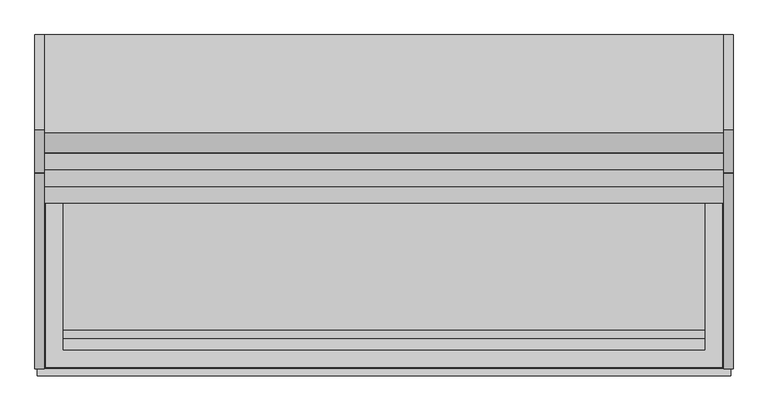
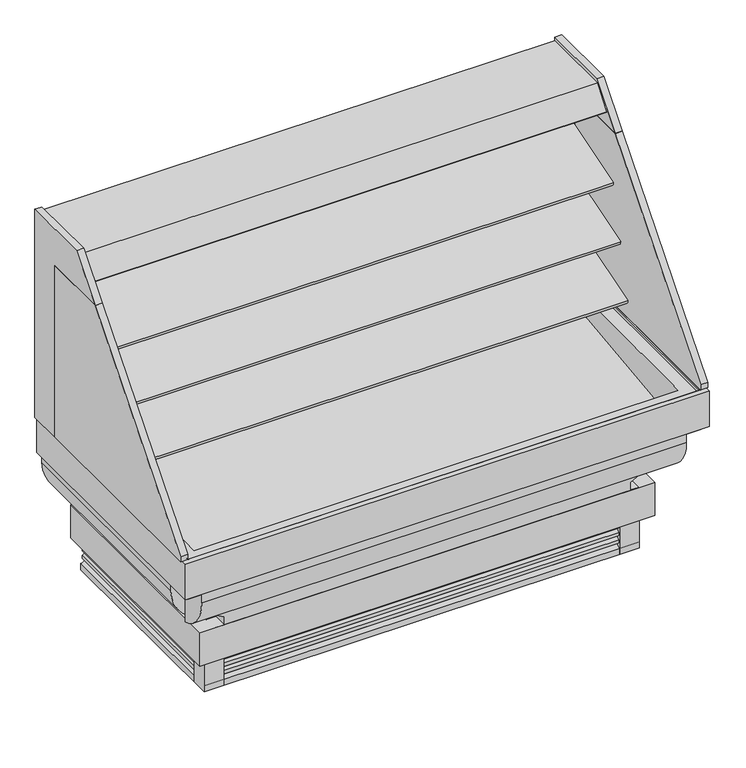
"""IFC4 building model written with IfcOpenShell, lengths in millimetres: proxy geometry."""

from ifc_helpers import new_model, si_unit, point, frame, frame_2d, origin, origin_with_axes, place, context, project, spatial, polyline, circle_curve, ellipse_curve, trimmed, segment, composite_curve, outline, extrude, source, transform, mapped, element, save
from ifc_brep_helpers import plane_surface, cylinder_surface, revolved_surface, advanced_brep


def mechanical_equipment_2a28cb98(model_context):
    return source(origin(), model_context, "Body", "SolidModel", [
        extrude(outline(polyline([(533.4, -623.8002023), (533.4, -928.6002023), (431.8, -928.6002023), (431.8, -623.8002023), (533.4, -623.8002023)])), frame((0.0, 0.0, 75.0351638), z_axis=(0.0, 0.0, 1.0), x_axis=(1.0, 0.0, 0.0)), (0.0, 0.0, 1.0), 53.975),
        extrude(outline(polyline([(-1326.1541466, 707.5625851), (-753.4903039, 1390.036777), (-482.3571273, 1390.036777), (-482.3571273, 686.604902), (-1326.1541466, 686.604902), (-1326.1541466, 707.5625851)])), frame((2108.0754599, 0.0, 0.0), z_axis=(1.0, 0.0, 0.0), x_axis=(0.0, 1.0, 0.0)), (0.0, 0.0, 1.0), 27.0002),
        extrude(outline(polyline([(-349.0071273, 1539.105102), (-349.0071273, 686.604902), (-482.3571273, 686.604902), (-482.3571273, 1390.036777), (-753.4903039, 1390.036777), (-628.4071273, 1539.105102), (-349.0071273, 1539.105102)])), frame((2108.0754599, 0.0, 0.0), z_axis=(1.0, 0.0, 0.0), x_axis=(0.0, 1.0, 0.0)), (0.0, 0.0, 1.0), 27.0002),
        extrude(outline(polyline([(-1326.1541466, 707.5625851), (-753.4903039, 1390.036777), (-482.3571273, 1390.036777), (-482.3571273, 686.604902), (-1326.1541466, 686.604902), (-1326.1541466, 707.5625851)])), frame((93.7743401, 0.0, 0.0), z_axis=(1.0, 0.0, 0.0), x_axis=(0.0, 1.0, 0.0)), (0.0, 0.0, 1.0), 27.0002),
        extrude(outline(polyline([(-349.0071273, 1539.105102), (-349.0071273, 686.604902), (-482.3571273, 686.604902), (-482.3571273, 1390.036777), (-753.4903039, 1390.036777), (-628.4071273, 1539.105102), (-349.0071273, 1539.105102)])), frame((93.7743401, 0.0, 0.0), z_axis=(1.0, 0.0, 0.0), x_axis=(0.0, 1.0, 0.0)), (0.0, 0.0, 1.0), 27.0002),
        extrude(outline(polyline([(1881.3732202, -1107.3920636), (1956.6607411, -1107.3920636), (1956.6607411, -1175.3678684), (1881.3732202, -1175.3678684), (1881.3732202, -1107.3920636)])), origin_with_axes(), (0.0, 0.0, 1.0), 142.8420222),
        extrude(outline(polyline([(347.4767798, -1107.3920636), (347.4767798, -1175.3678684), (272.1892589, -1175.3678684), (272.1892589, -1107.3920636), (347.4767798, -1107.3920636)])), origin_with_axes(), (0.0, 0.0, 1.0), 142.8420222),
        extrude(outline(composite_curve([segment(trimmed(circle_curve(frame_2d((1882.2068578, -1079.2571273)), 11.1125), [point((1871.0943578, -1079.2571273))], [point((1893.3193578, -1079.2571273))], False, "CARTESIAN"), True, "CONTINUOUS"), segment(trimmed(circle_curve(frame_2d((1882.2068578, -1079.2571273)), 11.1125), [point((1893.3193578, -1079.2571273))], [point((1871.0943578, -1079.2571273))], False, "CARTESIAN"), True, "CONTINUOUS")], self_intersect=False)), origin_with_axes(), (0.0, 0.0, 1.0), 127.0),
        extrude(outline(composite_curve([segment(trimmed(circle_curve(frame_2d((1860.2970208, -1079.2571273)), 4.7625), [point((1855.5345208, -1079.2571273))], [point((1865.0595208, -1079.2571273))], False, "CARTESIAN"), True, "CONTINUOUS"), segment(trimmed(circle_curve(frame_2d((1860.2970208, -1079.2571273)), 4.7625), [point((1865.0595208, -1079.2571273))], [point((1855.5345208, -1079.2571273))], False, "CARTESIAN"), True, "CONTINUOUS")], self_intersect=False)), origin_with_axes(), (0.0, 0.0, 1.0), 127.0),
        extrude(outline(composite_curve([segment(trimmed(circle_curve(frame_2d((1114.425, -1079.2571273)), 19.05), [point((1095.375, -1079.2571273))], [point((1133.475, -1079.2571273))], False, "CARTESIAN"), True, "CONTINUOUS"), segment(trimmed(circle_curve(frame_2d((1114.425, -1079.2571273)), 19.05), [point((1133.475, -1079.2571273))], [point((1095.375, -1079.2571273))], False, "CARTESIAN"), True, "CONTINUOUS")], self_intersect=False)), origin_with_axes(), (0.0, 0.0, 1.0), 127.0),
        advanced_brep(
        [(1933.2038411, -388.8502023, 46.2208035), (1933.2038411, -388.8502023, 0.0), (1933.2038411, -349.0071273, 0.0), (1933.2038411, -349.0071273, 280.009219), (1933.2038411, -1147.1509724, 280.009219), (1933.2038411, -1147.1509724, 0.0), (1933.2038411, -1109.2634173, 0.0), (1933.2038411, -1109.2634173, 46.2208035), (295.6461589, -1109.2634173, 46.2208035), (295.6461589, -1109.2634173, 0.0), (295.6461589, -1147.1509724, 0.0), (295.6461589, -1147.1509724, 280.009219), (295.6461589, -349.0071273, 280.009219), (295.6461589, -349.0071273, 0.0), (295.6461589, -388.8502023, 0.0), (295.6461589, -388.8502023, 46.2208035), (295.6461589, -528.8675125, 46.2208035), (295.6461589, -528.8675125, 127.0), (295.6461589, -1034.8071273, 127.0), (295.6461589, -1034.8071273, 46.2208035), (1880.4521412, -1109.2634173, 0.0), (1880.4521412, -1109.2634173, 46.2208035), (1859.6978588, -1109.2634173, 46.2208035), (1859.6978588, -1109.2634173, 0.0), (1089.025, -1079.2571273, 127.0), (1139.825, -1079.2571273, 127.0), (1838.325, -1079.2571273, 127.0), (1901.825, -1079.2571273, 127.0), (1139.825, -1079.2571273, 46.2208035), (1089.025, -1079.2571273, 46.2208035), (1901.825, -1079.2571273, 46.2208035), (1838.325, -1079.2571273, 46.2208035), (677.845887, -528.8675125, 127.0), (677.845887, -1034.8071273, 127.0), (677.845887, -1034.8071273, 46.2208035), (677.845887, -528.8675125, 46.2208035)],
        [
            (0, 1),
            (1, 2),
            (2, 3),
            (3, 4),
            (4, 5),
            (5, 6),
            (6, 7),
            (7, 0),
            (8, 9),
            (9, 10),
            (10, 11),
            (11, 12),
            (12, 13),
            (13, 14),
            (14, 15),
            (15, 16),
            (16, 17),
            (17, 18),
            (18, 19),
            (19, 8),
            (2, 13),
            (12, 3),
            (6, 20),
            (20, 21),
            (21, 7),
            (8, 22),
            (22, 23),
            (23, 9),
            (0, 15),
            (14, 1),
            (24, 25, circle_curve(frame((1114.425, -1079.2571273, 127.0), z_axis=(0.0, 0.0, -1.0), x_axis=(1.0, 0.0, 0.0)), 25.4)),
            (25, 24, circle_curve(frame((1114.425, -1079.2571273, 127.0), z_axis=(0.0, 0.0, -1.0), x_axis=(1.0, 0.0, 0.0)), 25.4)),
            (26, 27, circle_curve(frame((1870.075, -1079.2571273, 127.0), z_axis=(0.0, 0.0, -1.0), x_axis=(1.0, 0.0, 0.0)), 31.75)),
            (27, 26, circle_curve(frame((1870.075, -1079.2571273, 127.0), z_axis=(0.0, 0.0, -1.0), x_axis=(1.0, 0.0, 0.0)), 31.75)),
            (25, 28),
            (28, 29, circle_curve(frame((1114.425, -1079.2571273, 46.2208035), z_axis=(0.0, 0.0, -1.0), x_axis=(1.0, 0.0, 0.0)), 25.4)),
            (29, 24),
            (29, 28, circle_curve(frame((1114.425, -1079.2571273, 46.2208035), z_axis=(0.0, 0.0, -1.0), x_axis=(1.0, 0.0, 0.0)), 25.4)),
            (27, 30),
            (30, 21, circle_curve(frame((1870.075, -1079.2571273, 46.2208035), z_axis=(0.0, 0.0, -1.0), x_axis=(1.0, 0.0, 0.0)), 31.75)),
            (20, 23, circle_curve(frame((1870.075, -1079.2571273, 0.0), z_axis=(0.0, 0.0, -1.0), x_axis=(1.0, 0.0, 0.0)), 31.75)),
            (22, 31, circle_curve(frame((1870.075, -1079.2571273, 46.2208035), z_axis=(0.0, 0.0, -1.0), x_axis=(1.0, 0.0, 0.0)), 31.75)),
            (31, 26),
            (31, 30, circle_curve(frame((1870.075, -1079.2571273, 46.2208035), z_axis=(0.0, 0.0, -1.0), x_axis=(1.0, 0.0, 0.0)), 31.75)),
            (17, 32),
            (32, 33),
            (33, 18),
            (33, 34),
            (34, 19),
            (32, 35),
            (35, 34),
            (16, 35),
            (11, 4),
            (10, 5),
        ],
        [
            plane_surface(frame((1933.2038411, -388.8502023, 0.0), z_axis=(1.0, 0.0, 0.0), x_axis=(0.0, 0.0, -1.0))),
            plane_surface(frame((295.6461589, -388.8502023, 0.0), z_axis=(-1.0, 0.0, 0.0), x_axis=(0.0, 0.0, 1.0))),
            plane_surface(frame((1933.2038411, -349.0071273, 0.0), z_axis=(0.0, 1.0, 0.0), x_axis=(-1.0, 0.0, 0.0))),
            plane_surface(frame((1933.2038411, -1109.2634173, 0.0), z_axis=(0.0, 1.0, 0.0), x_axis=(-1.0, 0.0, 0.0))),
            plane_surface(frame((1933.2038411, -388.8502023, 46.2208035), z_axis=(0.0, -1.0, 0.0), x_axis=(-1.0, 0.0, 0.0))),
            plane_surface(frame((1139.825, -1079.2571273, 127.0), z_axis=(0.0, 0.0, -1.0), x_axis=(0.0, 1.0, 0.0))),
            revolved_surface(polyline([(1139.825, -1079.2571273, 127.0), (1139.825, -1079.2571273, 46.2208035)]), (1114.425, -1079.2571273, 0.0), (0.0, 0.0, 1.0)),
            revolved_surface(polyline([(1901.825, -1079.2571273, 127.0), (1901.825, -1079.2571273, 0.0)]), (1870.075, -1079.2571273, 0.0), (0.0, 0.0, 1.0)),
            revolved_surface(polyline([(1901.825, -1079.2571273, 127.0), (1901.825, -1079.2571273, 46.2208035)]), (1870.075, -1079.2571273, 0.0), (0.0, 0.0, 1.0)),
            plane_surface(frame((677.845887, -1034.8071273, 127.0), z_axis=(0.0, 0.0, -1.0), x_axis=(1.0, 0.0, 0.0))),
            plane_surface(frame((295.6461589, -1034.8071273, 127.0), z_axis=(0.0, 1.0, 0.0), x_axis=(0.0, 0.0, -1.0))),
            plane_surface(frame((677.845887, -1034.8071273, 127.0), z_axis=(-1.0, 0.0, 0.0), x_axis=(0.0, 0.0, -1.0))),
            plane_surface(frame((677.845887, -528.8675125, 127.0), z_axis=(0.0, -1.0, 0.0), x_axis=(0.0, 0.0, -1.0))),
            plane_surface(frame((1933.2038411, -388.8502023, 0.0), z_axis=(0.0, 0.0, -1.0), x_axis=(-1.0, 0.0, 0.0))),
            plane_surface(frame((1933.2038411, -349.0071273, 280.009219), z_axis=(0.0, 0.0, 1.0), x_axis=(-1.0, 0.0, 0.0))),
            plane_surface(frame((1933.2038411, -1147.1509724, 280.009219), z_axis=(0.0, -1.0, 0.0), x_axis=(-1.0, 0.0, 0.0))),
            plane_surface(frame((1933.2038411, -1147.1509724, 0.0), z_axis=(0.0, 0.0, -1.0), x_axis=(-1.0, 0.0, 0.0))),
            plane_surface(frame((1933.2038411, -1109.2634173, 46.2208035), z_axis=(0.0, 0.0, -1.0), x_axis=(-1.0, 0.0, 0.0))),
        ],
        [
            (0, [[1, 2, 3, 4, 5, 6, 7, 8]]),
            (1, [[9, 10, 11, 12, 13, 14, 15, 16, 17, 18, 19, 20]]),
            (2, [[-3, 21, -13, 22]]),
            (3, [[-7, 23, 24, 25]]),
            (3, [[-9, 26, 27, 28]]),
            (4, [[-1, 29, -15, 30]]),
            (5, [[31, 32]]),
            (5, [[33, 34]]),
            (6, [[-32, 35, 36, 37]]),
            (6, [[-31, -37, 38, -35]]),
            (7, [[-34, 39, 40, -24, 41, -27, 42, 43]]),
            (8, [[-33, -43, 44, -39]]),
            (9, [[45, 46, 47, -18]]),
            (10, [[-47, 48, 49, -19]]),
            (11, [[-46, 50, 51, -48]]),
            (12, [[-45, -17, 52, -50]]),
            (13, [[-2, -30, -14, -21]]),
            (14, [[-4, -22, -12, 53]]),
            (15, [[-5, -53, -11, 54]]),
            (16, [[-6, -54, -10, -28, -41, -23]]),
            (17, [[-8, -25, -40, -44, -42, -26, -20, -49, -51, -52, -16, -29], [-36, -38]]),
        ],
    ),
        extrude(outline(polyline([(233.572463, -349.0071273), (295.6461589, -349.0071273), (295.6461589, -1151.9109684), (1933.2038411, -1151.9109684), (1933.2038411, -349.0071273), (1995.277537, -349.0071273), (1995.277537, -1213.9846643), (233.572463, -1213.9846643), (233.572463, -349.0071273)])), frame((0.0, 0.0, 142.8420222), z_axis=(0.0, 0.0, 1.0), x_axis=(1.0, 0.0, 0.0)), (0.0, 0.0, 1.0), 136.5579778),
        advanced_brep(
        [(300.4061549, -349.0071273, 280.009219), (300.4061549, -349.0071273, 0.0), (272.1892589, -349.0071273, 0.0), (272.1892589, -349.0071273, 25.4482305), (285.8070618, -349.0071273, 35.0555434), (289.2961589, -349.0071273, 46.2208035), (278.6589637, -349.0071273, 44.0629807), (276.6650637, -349.0071273, 44.0629807), (276.6650637, -349.0071273, 56.7629807), (285.8070618, -349.0071273, 66.0277265), (289.2961589, -349.0071273, 77.1929866), (278.6589637, -349.0071273, 75.0351638), (276.6650637, -349.0071273, 75.0351638), (276.6650637, -349.0071273, 87.7351638), (285.8070618, -349.0071273, 96.9999096), (289.2961589, -349.0071273, 108.0387177), (278.6589637, -349.0071273, 106.0075338), (276.6650637, -349.0071273, 106.0075338), (276.6650637, -349.0071273, 118.7075338), (289.2961589, -349.0071273, 131.4073469), (289.2961589, -349.0071273, 280.009219), (300.4061549, -1147.1509724, 280.009219), (300.4061549, -1147.1509724, 0.0), (300.4061549, -1034.8071273, 0.0), (300.4061549, -1034.8071273, 127.0), (300.4061549, -528.8675125, 127.0), (300.4061549, -528.8675125, 0.0), (1928.4438451, -1147.1509724, 280.009219), (1928.4438451, -1147.1509724, 0.0), (1928.4438451, -349.0071273, 0.0), (1928.4438451, -349.0071273, 280.009219), (1939.5538411, -349.0071273, 280.009219), (1939.5538411, -349.0071273, 131.4073469), (1952.1849363, -349.0071273, 118.7075338), (1952.1849363, -349.0071273, 106.0075338), (1950.1910363, -349.0071273, 106.0075338), (1939.5538411, -349.0071273, 108.0387177), (1943.0429382, -349.0071273, 96.9999096), (1952.1849363, -349.0071273, 87.7351638), (1952.1849363, -349.0071273, 75.0351638), (1950.1910363, -349.0071273, 75.0351638), (1939.5538411, -349.0071273, 77.1929866), (1943.0429382, -349.0071273, 66.0277265), (1952.1849363, -349.0071273, 56.7629807), (1952.1849363, -349.0071273, 44.0629807), (1950.1910363, -349.0071273, 44.0629807), (1939.5538411, -349.0071273, 46.2208035), (1943.0429382, -349.0071273, 35.0555434), (1956.6607411, -349.0071273, 25.4482305), (1956.6607411, -349.0071273, 0.0), (295.6461589, -1034.8071273, 127.0), (295.6461589, -528.8675125, 127.0), (295.6461589, -1034.8071273, 0.0), (295.6461589, -528.8675125, 0.0), (289.2961589, -1158.2609684, 131.4073469), (289.2961589, -1158.2609684, 280.009219), (1939.5538411, -1158.2609684, 280.009219), (1956.6607411, -1175.3678684, 0.0), (272.1892589, -1175.3678684, 0.0), (272.1892589, -1175.3678684, 25.4482305), (285.8070618, -1161.7500655, 35.0555434), (289.2961589, -1158.2609684, 46.2208035), (278.6589637, -1168.8981636, 44.0629807), (1950.1910363, -1168.8981636, 44.0629807), (1952.1849363, -1170.8920636, 44.0629807), (276.6650637, -1170.8920636, 44.0629807), (276.6650637, -1170.8920636, 56.7629807), (285.8070618, -1161.7500655, 66.0277265), (289.2961589, -1158.2609684, 77.1929866), (278.6589637, -1168.8981636, 75.0351638), (1950.1910363, -1168.8981636, 75.0351638), (1952.1849363, -1170.8920636, 75.0351638), (276.6650637, -1170.8920636, 75.0351638), (276.6650637, -1170.8920636, 87.7351638), (285.8070618, -1161.7500655, 96.9999096), (289.2961589, -1158.2609684, 108.0387177), (278.6589637, -1168.8981636, 106.0075338), (1950.1910363, -1168.8981636, 106.0075338), (1952.1849363, -1170.8920636, 106.0075338), (276.6650637, -1170.8920636, 106.0075338), (276.6650637, -1170.8920636, 118.7075338), (1939.5538411, -1158.2609684, 131.4073469), (1956.6607411, -1175.3678684, 25.4482305), (1943.0429382, -1161.7500655, 35.0555434), (1939.5538411, -1158.2609684, 46.2208035), (1952.1849363, -1170.8920636, 56.7629807), (1943.0429382, -1161.7500655, 66.0277265), (1939.5538411, -1158.2609684, 77.1929866), (1952.1849363, -1170.8920636, 87.7351638), (1943.0429382, -1161.7500655, 96.9999096), (1939.5538411, -1158.2609684, 108.0387177), (1952.1849363, -1170.8920636, 118.7075338)],
        [
            (0, 1),
            (1, 2),
            (2, 3),
            (3, 4, circle_curve(frame((272.7250825, -349.0071273, 39.1436072), z_axis=(0.0, -1.0, 0.0), x_axis=(1.0, 0.0, 0.0)), 13.7058546)),
            (4, 5),
            (5, 6),
            (6, 7),
            (7, 8),
            (8, 9, circle_curve(frame((272.2471959, -349.0071273, 70.2651279), z_axis=(0.0, -1.0, 0.0), x_axis=(1.0, 0.0, 0.0)), 14.2065314)),
            (9, 10),
            (10, 11),
            (11, 12),
            (12, 13),
            (13, 14, circle_curve(frame((272.1748206, -349.0071273, 101.3087274), z_axis=(0.0, -1.0, 0.0), x_axis=(1.0, 0.0, 0.0)), 14.2969897)),
            (14, 15),
            (15, 16),
            (16, 17),
            (17, 18),
            (18, 19, circle_curve(frame((276.5961589, -349.0071273, 131.4073469), z_axis=(0.0, -1.0, 0.0), x_axis=(1.0, 0.0, 0.0)), 12.7)),
            (19, 20),
            (20, 0),
            (0, 21),
            (21, 22),
            (22, 23),
            (23, 24),
            (24, 25),
            (25, 26),
            (26, 1),
            (21, 27),
            (27, 28),
            (28, 22),
            (29, 30),
            (30, 31),
            (31, 32),
            (32, 33, circle_curve(frame((1952.2538411, -349.0071273, 131.4073469), z_axis=(0.0, -1.0, 0.0), x_axis=(-1.0, 0.0, 0.0)), 12.7)),
            (33, 34),
            (34, 35),
            (35, 36),
            (36, 37),
            (37, 38, circle_curve(frame((1956.6751794, -349.0071273, 101.3087274), z_axis=(0.0, -1.0, 0.0), x_axis=(-1.0, 0.0, 0.0)), 14.2969897)),
            (38, 39),
            (39, 40),
            (40, 41),
            (41, 42),
            (42, 43, circle_curve(frame((1956.6028041, -349.0071273, 70.2651279), z_axis=(0.0, -1.0, 0.0), x_axis=(-1.0, 0.0, 0.0)), 14.2065314)),
            (43, 44),
            (44, 45),
            (45, 46),
            (46, 47),
            (47, 48, circle_curve(frame((1956.1249175, -349.0071273, 39.1436072), z_axis=(0.0, -1.0, 0.0), x_axis=(-1.0, 0.0, 0.0)), 13.7058546)),
            (48, 49),
            (49, 29),
            (27, 30),
            (29, 28),
            (50, 51),
            (51, 25),
            (24, 50),
            (52, 50),
            (23, 52),
            (51, 53),
            (53, 26),
            (52, 53),
            (19, 54),
            (54, 55),
            (55, 20),
            (55, 56),
            (56, 31),
            (49, 57),
            (57, 58),
            (58, 2),
            (58, 59),
            (59, 3),
            (59, 60, ellipse_curve(frame((272.7250825, -1174.8320448, 39.1436072), z_axis=(0.707106781186548, -0.707106781186547, 0.0), x_axis=(-0.7071067811865469, -0.707106781186548, 0.0)), 19.3830055, 13.7058546)),
            (60, 4),
            (60, 61),
            (61, 5),
            (61, 62),
            (62, 6),
            (62, 63),
            (63, 45),
            (44, 64),
            (64, 65),
            (65, 7),
            (65, 66),
            (66, 8),
            (66, 67, ellipse_curve(frame((272.2471959, -1175.3099314, 70.2651279), z_axis=(0.707106781186548, -0.707106781186547, 0.0), x_axis=(-0.7071067811865469, -0.707106781186548, 0.0)), 20.0910694, 14.2065314)),
            (67, 9),
            (67, 68),
            (68, 10),
            (68, 69),
            (69, 11),
            (69, 70),
            (70, 40),
            (39, 71),
            (71, 72),
            (72, 12),
            (72, 73),
            (73, 13),
            (73, 74, ellipse_curve(frame((272.1748206, -1175.3823067, 101.3087274), z_axis=(0.707106781186548, -0.707106781186547, 0.0), x_axis=(-0.7071067811865469, -0.707106781186548, 0.0)), 20.2189967, 14.2969897)),
            (74, 14),
            (74, 75),
            (75, 15),
            (75, 76),
            (76, 16),
            (76, 77),
            (77, 35),
            (34, 78),
            (78, 79),
            (79, 17),
            (79, 80),
            (80, 18),
            (80, 54, ellipse_curve(frame((276.5961589, -1170.9609684, 131.4073469), z_axis=(0.707106781186548, -0.707106781186547, 0.0), x_axis=(-0.7071067811865469, -0.707106781186548, 0.0)), 17.9605122, 12.7)),
            (54, 81),
            (81, 56),
            (57, 82),
            (82, 59),
            (82, 83, ellipse_curve(frame((1956.1249175, -1174.8320448, 39.1436072), z_axis=(0.7071067811865471, 0.7071067811865479, 0.0), x_axis=(0.7071067811865478, -0.707106781186547, 0.0)), 19.3830055, 13.7058546)),
            (83, 60),
            (83, 84),
            (84, 61),
            (84, 63),
            (64, 85),
            (85, 66),
            (85, 86, ellipse_curve(frame((1956.6028041, -1175.3099314, 70.2651279), z_axis=(0.7071067811865471, 0.7071067811865479, 0.0), x_axis=(0.7071067811865478, -0.707106781186547, 0.0)), 20.0910694, 14.2065314)),
            (86, 67),
            (86, 87),
            (87, 68),
            (87, 70),
            (71, 88),
            (88, 73),
            (88, 89, ellipse_curve(frame((1956.6751794, -1175.3823067, 101.3087274), z_axis=(0.7071067811865471, 0.7071067811865479, 0.0), x_axis=(0.7071067811865478, -0.707106781186547, 0.0)), 20.2189967, 14.2969897)),
            (89, 74),
            (89, 90),
            (90, 75),
            (90, 77),
            (78, 91),
            (91, 80),
            (91, 81, ellipse_curve(frame((1952.2538411, -1170.9609684, 131.4073469), z_axis=(0.7071067811865471, 0.7071067811865479, 0.0), x_axis=(0.7071067811865478, -0.707106781186547, 0.0)), 17.9605122, 12.7)),
            (81, 32),
            (48, 82),
            (47, 83),
            (46, 84),
            (43, 85),
            (42, 86),
            (41, 87),
            (38, 88),
            (37, 89),
            (36, 90),
            (33, 91),
        ],
        [
            plane_surface(frame((0.0, -349.0071273, 0.0), z_axis=(0.0, 1.0, 0.0), x_axis=(0.0, 0.0, 1.0))),
            plane_surface(frame((300.4061549, -349.0071273, 142.8420222), z_axis=(1.0, 0.0, 0.0), x_axis=(0.0, -1.0, 0.0))),
            plane_surface(frame((300.4061549, -1147.1509724, 142.8420222), z_axis=(0.0, 1.0, 0.0), x_axis=(1.0, 0.0, 0.0))),
            plane_surface(frame((2228.85, -349.0071273, 0.0), z_axis=(0.0, 1.0, 0.0), x_axis=(0.0, 0.0, 1.0))),
            plane_surface(frame((1928.4438451, -1147.1509724, 142.8420222), z_axis=(-1.0, 0.0, 0.0), x_axis=(0.0, 1.0, 0.0))),
            plane_surface(frame((677.845887, -1034.8071273, 127.0), z_axis=(0.0, 0.0, -1.0), x_axis=(1.0, 0.0, 0.0))),
            plane_surface(frame((295.6461589, -1034.8071273, 127.0), z_axis=(0.0, 1.0, 0.0), x_axis=(0.0, 0.0, -1.0))),
            plane_surface(frame((677.845887, -528.8675125, 127.0), z_axis=(0.0, -1.0, 0.0), x_axis=(0.0, 0.0, -1.0))),
            plane_surface(frame((295.6461589, -528.8675125, 127.0), z_axis=(1.0, 0.0, 0.0), x_axis=(0.0, 0.0, -1.0))),
            plane_surface(frame((289.2961589, -349.0071273, 142.8420222), z_axis=(-1.0, 0.0, 0.0), x_axis=(0.0, -1.0, 0.0))),
            plane_surface(frame((289.2961589, -349.0071273, 280.009219), z_axis=(0.0, 0.0, 1.0), x_axis=(0.0, -1.0, 0.0))),
            plane_surface(frame((300.4061549, -349.0071273, 0.0), z_axis=(0.0, 0.0, -1.0), x_axis=(0.0, -1.0, 0.0))),
            plane_surface(frame((272.1892589, -349.0071273, 0.0), z_axis=(-1.0, 0.0, 0.0), x_axis=(0.0, -1.0, 0.0))),
            revolved_surface(polyline([(286.4309371, -1188.5378994288262, 39.1436072), (286.4309371, -349.0071273, 39.1436072)]), (272.7250825, -349.0071273, 39.1436072), (0.0, -1.0, 0.0)),
            plane_surface(frame((285.8070618, -349.0071273, 35.0555434), z_axis=(-0.9544811145040243, 0.0, 0.2982713564108291), x_axis=(0.0, -1.0, 0.0))),
            plane_surface(frame((289.2961589, -349.0071273, 46.2208035), z_axis=(0.19880707887695687, 0.0, -0.9800386448443814), x_axis=(0.0, -1.0, 0.0))),
            plane_surface(frame((278.6589637, -349.0071273, 44.0629807), z_axis=(0.0, 0.0, -1.0), x_axis=(0.0, -1.0, 0.0))),
            plane_surface(frame((276.6650637, -349.0071273, 44.0629807), z_axis=(-1.0, 0.0, 0.0), x_axis=(0.0, -1.0, 0.0))),
            revolved_surface(polyline([(286.4537273, -1189.5164628140296, 70.2651279), (286.4537273, -349.0071273, 70.2651279)]), (272.2471959, -349.0071273, 70.2651279), (0.0, -1.0, 0.0)),
            plane_surface(frame((285.8070618, -349.0071273, 66.0277265), z_axis=(-0.9544811145040215, 0.0, 0.29827135641083813), x_axis=(0.0, -1.0, 0.0))),
            plane_surface(frame((289.2961589, -349.0071273, 77.1929866), z_axis=(0.19880707887695687, 0.0, -0.9800386448443814), x_axis=(0.0, -1.0, 0.0))),
            plane_surface(frame((278.6589637, -349.0071273, 75.0351638), z_axis=(0.0, 0.0, -1.0), x_axis=(0.0, -1.0, 0.0))),
            plane_surface(frame((276.6650637, -349.0071273, 75.0351638), z_axis=(-1.0, 0.0, 0.0), x_axis=(0.0, -1.0, 0.0))),
            revolved_surface(polyline([(286.47181029999996, -1189.6792963753585, 101.3087274), (286.47181029999996, -349.0071273, 101.3087274)]), (272.1748206, -349.0071273, 101.3087274), (0.0, -1.0, 0.0)),
            plane_surface(frame((285.8070618, -349.0071273, 96.9999096), z_axis=(-0.9535043111328664, 0.0, 0.30137937661863695), x_axis=(0.0, -1.0, 0.0))),
            plane_surface(frame((289.2961589, -349.0071273, 108.0387177), z_axis=(0.18756221551805924, 0.0, -0.9822527247658605), x_axis=(0.0, -1.0, 0.0))),
            plane_surface(frame((278.6589637, -349.0071273, 106.0075338), z_axis=(0.0, 0.0, -1.0), x_axis=(0.0, -1.0, 0.0))),
            plane_surface(frame((276.6650637, -349.0071273, 106.0075338), z_axis=(-1.0, 0.0, 0.0), x_axis=(0.0, -1.0, 0.0))),
            revolved_surface(polyline([(289.29615889999997, -1183.6609683702036, 131.4073469), (289.29615889999997, -349.0071273, 131.4073469)]), (276.5961589, -349.0071273, 131.4073469), (0.0, -1.0, 0.0)),
            plane_surface(frame((289.2961589, -1158.2609684, 142.8420222), z_axis=(0.0, -1.0, 0.0), x_axis=(1.0, 0.0, 0.0))),
            plane_surface(frame((272.1892589, -1175.3678684, 0.0), z_axis=(0.0, -1.0, 0.0), x_axis=(1.0, 0.0, 0.0))),
            revolved_surface(polyline([(1969.830772128826, -1161.1261901999999, 39.1436072), (259.0192278711738, -1161.1261901999999, 39.1436072)]), (0.0, -1174.8320448, 39.1436072), (1.0, 0.0, 0.0)),
            plane_surface(frame((285.8070618, -1161.7500655, 35.0555434), z_axis=(0.0, -0.9544811145040243, 0.2982713564108291), x_axis=(1.0, 0.0, 0.0))),
            plane_surface(frame((289.2961589, -1158.2609684, 46.2208035), z_axis=(0.0, 0.19880707887695687, -0.9800386448443814), x_axis=(1.0, 0.0, 0.0))),
            plane_surface(frame((276.6650637, -1170.8920636, 44.0629807), z_axis=(0.0, -1.0, 0.0), x_axis=(1.0, 0.0, 0.0))),
            revolved_surface(polyline([(1970.8093355140295, -1161.1034000000002, 70.2651279), (258.04066448597047, -1161.1034000000002, 70.2651279)]), (0.0, -1175.3099314, 70.2651279), (1.0, 0.0, 0.0)),
            plane_surface(frame((285.8070618, -1161.7500655, 66.0277265), z_axis=(0.0, -0.9544811145040215, 0.29827135641083813), x_axis=(1.0, 0.0, 0.0))),
            plane_surface(frame((289.2961589, -1158.2609684, 77.1929866), z_axis=(0.0, 0.19880707887695687, -0.9800386448443814), x_axis=(1.0, 0.0, 0.0))),
            plane_surface(frame((276.6650637, -1170.8920636, 75.0351638), z_axis=(0.0, -1.0, 0.0), x_axis=(1.0, 0.0, 0.0))),
            revolved_surface(polyline([(1970.9721690753584, -1161.085317, 101.3087274), (257.87783092464156, -1161.085317, 101.3087274)]), (0.0, -1175.3823067, 101.3087274), (1.0, 0.0, 0.0)),
            plane_surface(frame((285.8070618, -1161.7500655, 96.9999096), z_axis=(0.0, -0.9535043111328664, 0.30137937661863695), x_axis=(1.0, 0.0, 0.0))),
            plane_surface(frame((289.2961589, -1158.2609684, 108.0387177), z_axis=(0.0, 0.18756221551805924, -0.9822527247658605), x_axis=(1.0, 0.0, 0.0))),
            plane_surface(frame((276.6650637, -1170.8920636, 106.0075338), z_axis=(0.0, -1.0, 0.0), x_axis=(1.0, 0.0, 0.0))),
            revolved_surface(polyline([(1964.9538410702037, -1158.2609684, 131.4073469), (263.8961589297963, -1158.2609684, 131.4073469)]), (0.0, -1170.9609684, 131.4073469), (1.0, 0.0, 0.0)),
            plane_surface(frame((1939.5538411, -1158.2609684, 142.8420222), z_axis=(1.0, 0.0, 0.0), x_axis=(0.0, 1.0, 0.0))),
            plane_surface(frame((1956.6607411, -1175.3678684, 0.0), z_axis=(1.0, 0.0, 0.0), x_axis=(0.0, 1.0, 0.0))),
            revolved_surface(polyline([(1942.4190629, -349.00712729999987, 39.1436072), (1942.4190629, -1188.5378994288262, 39.1436072)]), (1956.1249175, -1447.5571273, 39.1436072), (0.0, 1.0, 0.0)),
            plane_surface(frame((1943.0429382, -1161.7500655, 35.0555434), z_axis=(0.9544811145040243, 0.0, 0.2982713564108291), x_axis=(0.0, 1.0, 0.0))),
            plane_surface(frame((1939.5538411, -1158.2609684, 46.2208035), z_axis=(-0.19880707887695687, 0.0, -0.9800386448443814), x_axis=(0.0, 1.0, 0.0))),
            plane_surface(frame((1952.1849363, -1170.8920636, 44.0629807), z_axis=(1.0, 0.0, 0.0), x_axis=(0.0, 1.0, 0.0))),
            revolved_surface(polyline([(1942.3962727, -349.00712729999987, 70.2651279), (1942.3962727, -1189.5164628140296, 70.2651279)]), (1956.6028041, -1447.5571273, 70.2651279), (0.0, 1.0, 0.0)),
            plane_surface(frame((1943.0429382, -1161.7500655, 66.0277265), z_axis=(0.9544811145040215, 0.0, 0.29827135641083813), x_axis=(0.0, 1.0, 0.0))),
            plane_surface(frame((1939.5538411, -1158.2609684, 77.1929866), z_axis=(-0.19880707887695687, 0.0, -0.9800386448443814), x_axis=(0.0, 1.0, 0.0))),
            plane_surface(frame((1952.1849363, -1170.8920636, 75.0351638), z_axis=(1.0, 0.0, 0.0), x_axis=(0.0, 1.0, 0.0))),
            revolved_surface(polyline([(1942.3781897, -349.00712729999987, 101.3087274), (1942.3781897, -1189.6792963753585, 101.3087274)]), (1956.6751794, -1447.5571273, 101.3087274), (0.0, 1.0, 0.0)),
            plane_surface(frame((1943.0429382, -1161.7500655, 96.9999096), z_axis=(0.9535043111328664, 0.0, 0.30137937661863695), x_axis=(0.0, 1.0, 0.0))),
            plane_surface(frame((1939.5538411, -1158.2609684, 108.0387177), z_axis=(-0.18756221551805924, 0.0, -0.9822527247658605), x_axis=(0.0, 1.0, 0.0))),
            plane_surface(frame((1952.1849363, -1170.8920636, 106.0075338), z_axis=(1.0, 0.0, 0.0), x_axis=(0.0, 1.0, 0.0))),
            revolved_surface(polyline([(1939.5538411, -349.00712729999987, 131.4073469), (1939.5538411, -1183.6609683702036, 131.4073469)]), (1952.2538411, -1447.5571273, 131.4073469), (0.0, 1.0, 0.0)),
        ],
        [
            (0, [[1, 2, 3, 4, 5, 6, 7, 8, 9, 10, 11, 12, 13, 14, 15, 16, 17, 18, 19, 20, 21]]),
            (1, [[-1, 22, 23, 24, 25, 26, 27, 28]]),
            (2, [[-23, 29, 30, 31]]),
            (3, [[32, 33, 34, 35, 36, 37, 38, 39, 40, 41, 42, 43, 44, 45, 46, 47, 48, 49, 50, 51, 52]]),
            (4, [[-30, 53, -32, 54]]),
            (5, [[55, 56, -26, 57]]),
            (6, [[58, -57, -25, 59]]),
            (7, [[60, 61, -27, -56]]),
            (8, [[-55, -58, 62, -60]]),
            (9, [[-20, 63, 64, 65]]),
            (10, [[-21, -65, 66, 67, -33, -53, -29, -22]]),
            (11, [[-2, -28, -61, -62, -59, -24, -31, -54, -52, 68, 69, 70]]),
            (12, [[-3, -70, 71, 72]]),
            (13, [[-4, -72, 73, 74]]),
            (14, [[-5, -74, 75, 76]]),
            (15, [[-6, -76, 77, 78]]),
            (16, [[-7, -78, 79, 80, -47, 81, 82, 83]]),
            (17, [[-8, -83, 84, 85]]),
            (18, [[-9, -85, 86, 87]]),
            (19, [[-10, -87, 88, 89]]),
            (20, [[-11, -89, 90, 91]]),
            (21, [[-12, -91, 92, 93, -42, 94, 95, 96]]),
            (22, [[-13, -96, 97, 98]]),
            (23, [[-14, -98, 99, 100]]),
            (24, [[-15, -100, 101, 102]]),
            (25, [[-16, -102, 103, 104]]),
            (26, [[-17, -104, 105, 106, -37, 107, 108, 109]]),
            (27, [[-18, -109, 110, 111]]),
            (28, [[-19, -111, 112, -63]]),
            (29, [[-64, 113, 114, -66]]),
            (30, [[-69, 115, 116, -71]]),
            (31, [[-73, -116, 117, 118]]),
            (32, [[-75, -118, 119, 120]]),
            (33, [[-77, -120, 121, -79]]),
            (34, [[-82, 122, 123, -84]]),
            (35, [[-86, -123, 124, 125]]),
            (36, [[-88, -125, 126, 127]]),
            (37, [[-90, -127, 128, -92]]),
            (38, [[-95, 129, 130, -97]]),
            (39, [[-99, -130, 131, 132]]),
            (40, [[-101, -132, 133, 134]]),
            (41, [[-103, -134, 135, -105]]),
            (42, [[-108, 136, 137, -110]]),
            (43, [[-112, -137, 138, -113]]),
            (44, [[-34, -67, -114, 139]]),
            (45, [[-51, 140, -115, -68]]),
            (46, [[-50, 141, -117, -140]]),
            (47, [[-49, 142, -119, -141]]),
            (48, [[-48, -80, -121, -142]]),
            (49, [[-46, 143, -122, -81]]),
            (50, [[-45, 144, -124, -143]]),
            (51, [[-44, 145, -126, -144]]),
            (52, [[-43, -93, -128, -145]]),
            (53, [[-41, 146, -129, -94]]),
            (54, [[-40, 147, -131, -146]]),
            (55, [[-39, 148, -133, -147]]),
            (56, [[-38, -106, -135, -148]]),
            (57, [[-36, 149, -136, -107]]),
            (58, [[-35, -139, -138, -149]]),
        ],
    ),
        extrude(outline(composite_curve([segment(polyline([(-792.3745259, 970.8533605), (-452.3125547, 1074.8207387), (-452.3125547, 996.6129609), (-469.6875768, 990.9761372)]), True, "CONTINUOUS"), segment(trimmed(circle_curve(frame_2d((-477.5257116, 1015.1365105)), 25.4), [point((-469.6875768, 990.9761372))], [point((-487.031913, 991.5824846))], False, "CARTESIAN"), True, "CONTINUOUS"), segment(polyline([(-487.031913, 991.5824846), (-508.3273108, 1000.1771232)]), True, "CONTINUOUS"), segment(trimmed(circle_curve(frame_2d((-532.0928142, 941.2920585)), 63.5), [point((-508.3273108, 1000.1771232))], [point((-542.9614769, 1003.8550042))], True, "CARTESIAN"), True, "CONTINUOUS"), segment(polyline([(-542.9614769, 1003.8550042), (-730.6779893, 971.2442081), (-733.1076334, 974.0991483), (-788.2158308, 957.2508816), (-792.3745259, 970.8533605)]), True, "CONTINUOUS")], self_intersect=False)), frame((120.7745401, 0.0, 0.0), z_axis=(1.0, 0.0, 0.0), x_axis=(0.0, 1.0, 0.0)), (0.0, 0.0, 1.0), 1987.3009198),
        extrude(outline(composite_curve([segment(polyline([(-840.9548075, 758.0436533), (-452.3125547, 876.8635141), (-452.3125547, 798.6557363), (-469.6875768, 793.0189126)]), True, "CONTINUOUS"), segment(trimmed(circle_curve(frame_2d((-477.5257116, 817.179286)), 25.4), [point((-469.6875768, 793.0189126))], [point((-487.031913, 793.6252601))], False, "CARTESIAN"), True, "CONTINUOUS"), segment(polyline([(-487.031913, 793.6252601), (-508.3273108, 802.2198987)]), True, "CONTINUOUS"), segment(trimmed(circle_curve(frame_2d((-532.0928142, 743.3348339)), 63.5), [point((-508.3273108, 802.2198987))], [point((-542.9614769, 805.8977796))], True, "CARTESIAN"), True, "CONTINUOUS"), segment(polyline([(-542.9614769, 805.8977796), (-730.6779893, 773.2869836), (-733.1076334, 776.1419238), (-836.7961124, 744.4411744), (-840.9548075, 758.0436533)]), True, "CONTINUOUS")], self_intersect=False)), frame((120.7745401, 0.0, 0.0), z_axis=(1.0, 0.0, 0.0), x_axis=(0.0, 1.0, 0.0)), (0.0, 0.0, 1.0), 1987.3009198),
        extrude(outline(composite_curve([segment(polyline([(-743.7942443, 1182.7262946), (-452.3125547, 1271.8411902), (-452.3125547, 1193.6334124), (-469.6875768, 1187.9965887)]), True, "CONTINUOUS"), segment(trimmed(circle_curve(frame_2d((-477.5257116, 1212.156962)), 25.4), [point((-469.6875768, 1187.9965887))], [point((-487.031913, 1188.6029361))], False, "CARTESIAN"), True, "CONTINUOUS"), segment(polyline([(-487.031913, 1188.6029361), (-508.3273108, 1197.1975747)]), True, "CONTINUOUS"), segment(trimmed(circle_curve(frame_2d((-532.0928142, 1138.31251)), 63.5), [point((-508.3273108, 1197.1975747))], [point((-542.9614769, 1200.8754556))], True, "CARTESIAN"), True, "CONTINUOUS"), segment(polyline([(-542.9614769, 1200.8754556), (-680.7295768, 1183.5354218), (-683.1592209, 1186.3903621), (-739.6355492, 1169.1238157), (-743.7942443, 1182.7262946)]), True, "CONTINUOUS")], self_intersect=False)), frame((120.7745401, 0.0, 0.0), z_axis=(1.0, 0.0, 0.0), x_axis=(0.0, 1.0, 0.0)), (0.0, 0.0, 1.0), 1987.3009198),
        extrude(outline(composite_curve([segment(polyline([(-349.0071273, 1525.5875), (-349.0071273, 671.0422189), (-399.2833762, 671.0422189), (-399.2833762, 1499.634781), (-641.9449425, 1499.634781), (-687.6883412, 1437.3214413)]), True, "CONTINUOUS"), segment(trimmed(circle_curve(frame_2d((-688.942455, 1438.2420696)), 1.55575), [point((-687.6883412, 1437.3214413))], [point((-689.8630833, 1436.9879558))], False, "CARTESIAN"), True, "CONTINUOUS"), segment(polyline([(-689.8630833, 1436.9879558), (-695.0641683, 1440.8060035)]), True, "CONTINUOUS"), segment(trimmed(circle_curve(frame_2d((-694.1435399, 1442.0601173)), 1.55575), [point((-695.0641683, 1440.8060035))], [point((-695.3976537, 1442.9807456))], False, "CARTESIAN"), True, "CONTINUOUS"), segment(polyline([(-695.3976537, 1442.9807456), (-634.7571278, 1525.5875), (-349.0071273, 1525.5875)]), True, "CONTINUOUS")], self_intersect=False)), frame((120.7745401, 0.0, 0.0), z_axis=(1.0, 0.0, 0.0), x_axis=(0.0, 1.0, 0.0)), (0.0, 0.0, 1.0), 1987.3009198),
        extrude(outline(composite_curve([segment(polyline([(-452.3125547, 1397.5302019), (-453.9584677, 1397.5302019), (-473.158031, 1384.0865229)]), True, "CONTINUOUS"), segment(trimmed(circle_curve(frame_2d((-474.5056489, 1386.0111207)), 2.3495), [point((-473.158031, 1384.0865229))], [point((-476.4302466, 1384.6635028))], False, "CARTESIAN"), True, "CONTINUOUS"), segment(polyline([(-476.4302466, 1384.6635028), (-528.8675125, 1461.9530763), (-538.0374995, 1451.7921301), (-564.6412623, 1459.4206363), (-620.2335046, 1499.634781), (-399.2833762, 1499.634781), (-399.2833762, 671.0422189), (-452.3125547, 671.0422189), (-452.3125547, 1397.5302019)]), True, "CONTINUOUS")], self_intersect=False)), frame((120.7745401, 0.0, 0.0), z_axis=(1.0, 0.0, 0.0), x_axis=(0.0, 1.0, 0.0)), (0.0, 0.0, 1.0), 1987.3009198),
        extrude(outline(composite_curve([segment(polyline([(-1238.9538746, 524.8753178), (-1213.9846643, 527.8666498), (-1213.9846643, 344.24878)]), True, "CONTINUOUS"), segment(trimmed(circle_curve(frame_2d((-1174.3825872, 491.4134343)), 152.4), [point((-1213.9846643, 344.24878))], [point((-1326.7825872, 491.4134343))], False, "CARTESIAN"), True, "CONTINUOUS"), segment(polyline([(-1326.7825872, 491.4134343), (-1326.7825872, 524.8753178), (-1238.9538746, 524.8753178)]), True, "CONTINUOUS")], self_intersect=False)), frame((175.8468607, 0.0, 0.0), z_axis=(1.0, 0.0, 0.0), x_axis=(0.0, 1.0, 0.0)), (0.0, 0.0, 1.0), 1877.1562785),
        advanced_brep(
        [(2053.0031393, -349.0071273, 524.8753178), (2108.0754599, -349.0071273, 524.8753178), (2108.0754599, -349.0071273, 491.4134343), (1950.3566895, -349.0071273, 339.1062753), (1900.7555086, -349.0071273, 311.6105819), (1900.7555086, -349.0071273, 280.009219), (1933.2038411, -349.0071273, 280.009219), (1933.2038411, -349.0071273, 242.8736481), (295.6461589, -349.0071273, 242.8736481), (295.6461589, -349.0071273, 279.4), (328.0944914, -349.0071273, 279.4), (328.0944914, -349.0071273, 311.6105819), (278.4933105, -349.0071273, 339.1062753), (120.7745401, -349.0071273, 491.4134343), (120.7745401, -349.0071273, 524.8753178), (175.8468607, -349.0071273, 524.8753178), (175.8468607, -349.0071273, 671.0422189), (2053.0031393, -349.0071273, 671.0422189), (175.8468607, -1213.9846643, 524.8753178), (120.7745401, -1213.9846643, 524.8753178), (120.7745401, -1213.9846643, 491.4134343), (278.4933105, -1213.9846643, 339.1062753), (328.0944914, -1213.9846643, 311.6105819), (328.0944914, -1213.9846643, 279.4), (295.6461589, -1213.9846643, 279.4), (295.6461589, -1213.9846643, 242.8736481), (1933.2038411, -1213.9846643, 242.8736481), (1933.2038411, -1213.9846643, 280.009219), (1900.7555086, -1213.9846643, 280.009219), (1900.7555086, -1213.9846643, 311.6105819), (1950.3566895, -1213.9846643, 339.1062753), (2108.0754599, -1213.9846643, 491.4134343), (2108.0754599, -1213.9846643, 524.8753178), (2053.0031393, -1213.9846643, 524.8753178), (2053.0031393, -1213.9846643, 527.8666498), (175.8468607, -1213.9846643, 527.8666498), (2053.0031393, -452.3125547, 671.0422189), (2053.0031393, -452.3125547, 619.2238853), (2053.0031393, -464.1266475, 606.5548218), (2053.0031393, -557.1596971, 606.5548218), (175.8468607, -452.3125547, 671.0422189), (175.8468607, -557.1596971, 606.5548218), (175.8468607, -464.1266475, 606.5548218), (175.8468607, -452.3125547, 619.2238853)],
        [
            (0, 1),
            (1, 2),
            (2, 3, circle_curve(frame((1955.6754599, -349.0071273, 491.4134343), z_axis=(0.0, 1.0, 0.0), x_axis=(0.0, 0.0, 1.0)), 152.4)),
            (3, 4),
            (4, 5),
            (5, 6),
            (6, 7),
            (7, 8),
            (8, 9),
            (9, 10),
            (10, 11),
            (11, 12),
            (12, 13, circle_curve(frame((273.1745401, -349.0071273, 491.4134343), z_axis=(0.0, 1.0, 0.0), x_axis=(0.0, 0.0, 1.0)), 152.4)),
            (13, 14),
            (14, 15),
            (15, 16),
            (16, 17),
            (17, 0),
            (18, 19),
            (19, 20),
            (20, 21, circle_curve(frame((273.1745401, -1213.9846643, 491.4134343), z_axis=(0.0, -1.0, 0.0), x_axis=(0.0, 0.0, 1.0)), 152.4)),
            (21, 22),
            (22, 23),
            (23, 24),
            (24, 25),
            (25, 26),
            (26, 27),
            (27, 28),
            (28, 29),
            (29, 30),
            (30, 31, circle_curve(frame((1955.6754599, -1213.9846643, 491.4134343), z_axis=(0.0, -1.0, 0.0), x_axis=(0.0, 0.0, 1.0)), 152.4)),
            (31, 32),
            (32, 33),
            (33, 34),
            (34, 35),
            (35, 18),
            (17, 36),
            (36, 37),
            (37, 38, circle_curve(frame((2053.0031393, -464.1397042, 618.409939), z_axis=(-1.0, 0.0, 0.0), x_axis=(0.0, 1.0, 0.0)), 11.8551244)),
            (38, 39),
            (39, 34),
            (33, 0),
            (16, 40),
            (40, 36),
            (15, 18),
            (35, 41),
            (41, 42),
            (42, 43, circle_curve(frame((175.8468607, -464.1397042, 618.409939), z_axis=(1.0, 0.0, 0.0), x_axis=(0.0, 1.0, 0.0)), 11.8551244)),
            (43, 40),
            (14, 19),
            (13, 20),
            (12, 21),
            (11, 22),
            (10, 23),
            (9, 24),
            (8, 25),
            (7, 26),
            (6, 27),
            (5, 28),
            (4, 29),
            (3, 30),
            (2, 31),
            (1, 32),
            (39, 41),
            (38, 42),
            (37, 43),
        ],
        [
            plane_surface(frame((2053.0031393, -349.0071273, 671.0422189), z_axis=(0.0, 1.0, 0.0), x_axis=(0.0, 0.0, -1.0))),
            plane_surface(frame((2053.0031393, -1213.9846643, 671.0422189), z_axis=(0.0, -1.0, 0.0), x_axis=(0.0, 0.0, 1.0))),
            plane_surface(frame((2053.0031393, -1213.9846643, 524.8753178), z_axis=(1.0, 0.0, 0.0), x_axis=(0.0, 1.0, 0.0))),
            plane_surface(frame((2053.0031393, -1213.9846643, 671.0422189), z_axis=(0.0, 0.0, 1.0), x_axis=(0.0, 1.0, 0.0))),
            plane_surface(frame((175.8468607, -1213.9846643, 671.0422189), z_axis=(-1.0, 0.0, 0.0), x_axis=(0.0, 1.0, 0.0))),
            plane_surface(frame((175.8468607, -1213.9846643, 524.8753178), z_axis=(0.0, 0.0, 1.0), x_axis=(0.0, 1.0, 0.0))),
            plane_surface(frame((120.7745401, -1213.9846643, 524.8753178), z_axis=(-1.0, 0.0, 0.0), x_axis=(0.0, 1.0, 0.0))),
            cylinder_surface(frame((273.1745401, -349.0071273, 491.4134343), z_axis=(0.0, -1.0, 0.0), x_axis=(0.0, 0.0, 1.0)), 152.4),
            plane_surface(frame((278.4933105, -1213.9846643, 339.1062753), z_axis=(-0.4848272875913435, 0.0, -0.8746099137368731), x_axis=(0.0, 1.0, 0.0))),
            plane_surface(frame((328.0944914, -1213.9846643, 311.6105819), z_axis=(-1.0, 0.0, 0.0), x_axis=(0.0, 1.0, 0.0))),
            plane_surface(frame((328.0944914, -1213.9846643, 279.4), z_axis=(0.0, 0.0, 1.0), x_axis=(0.0, 1.0, 0.0))),
            plane_surface(frame((295.6461589, -1213.9846643, 279.4), z_axis=(-1.0, 0.0, 0.0), x_axis=(0.0, 1.0, 0.0))),
            plane_surface(frame((295.6461589, -1213.9846643, 242.8736481), z_axis=(0.0, 0.0, -1.0), x_axis=(0.0, 1.0, 0.0))),
            plane_surface(frame((1933.2038411, -1213.9846643, 242.8736481), z_axis=(1.0, 0.0, 0.0), x_axis=(0.0, 1.0, 0.0))),
            plane_surface(frame((1933.2038411, -1213.9846643, 280.009219), z_axis=(0.0, 0.0, 1.0), x_axis=(0.0, 1.0, 0.0))),
            plane_surface(frame((1900.7555086, -1213.9846643, 280.009219), z_axis=(1.0, 0.0, 0.0), x_axis=(0.0, 1.0, 0.0))),
            plane_surface(frame((1900.7555086, -1213.9846643, 311.6105819), z_axis=(0.48482728759133187, 0.0, -0.8746099137368796), x_axis=(0.0, 1.0, 0.0))),
            cylinder_surface(frame((1955.6754599, -349.0071273, 491.4134343), z_axis=(0.0, -1.0, 0.0), x_axis=(0.0, 0.0, 1.0)), 152.4),
            plane_surface(frame((2108.0754599, -1213.9846643, 491.4134343), z_axis=(1.0, 0.0, 0.0), x_axis=(0.0, 1.0, 0.0))),
            plane_surface(frame((2108.0754599, -1213.9846643, 524.8753178), z_axis=(0.0, 0.0, 1.0), x_axis=(0.0, 1.0, 0.0))),
            plane_surface(frame((2053.0031393, -1213.9846643, 527.8666498), z_axis=(0.0, -0.11895026338549289, 0.9929002139392065), x_axis=(-1.0, 0.0, 0.0))),
            plane_surface(frame((2053.0031393, -557.1596971, 606.5548218), z_axis=(0.0, 0.0, 1.0), x_axis=(-1.0, 0.0, 0.0))),
            revolved_surface(polyline([(2053.0031393, -452.28457979999996, 618.409939), (175.8468607, -452.28457979999996, 618.409939)]), (175.8468607, -464.1397042, 618.409939), (1.0, 0.0, 0.0)),
            plane_surface(frame((2053.0031393, -452.3125547, 619.2238853), z_axis=(0.0, -1.0, 0.0), x_axis=(-1.0, 0.0, 0.0))),
        ],
        [
            (0, [[1, 2, 3, 4, 5, 6, 7, 8, 9, 10, 11, 12, 13, 14, 15, 16, 17, 18]]),
            (1, [[19, 20, 21, 22, 23, 24, 25, 26, 27, 28, 29, 30, 31, 32, 33, 34, 35, 36]]),
            (2, [[-18, 37, 38, 39, 40, 41, -34, 42]]),
            (3, [[-17, 43, 44, -37]]),
            (4, [[-16, 45, -36, 46, 47, 48, 49, -43]]),
            (5, [[-15, 50, -19, -45]]),
            (6, [[-14, 51, -20, -50]]),
            (7, [[-13, 52, -21, -51]]),
            (8, [[-12, 53, -22, -52]]),
            (9, [[-11, 54, -23, -53]]),
            (10, [[-10, 55, -24, -54]]),
            (11, [[-9, 56, -25, -55]]),
            (12, [[-8, 57, -26, -56]]),
            (13, [[-7, 58, -27, -57]]),
            (14, [[-6, 59, -28, -58]]),
            (15, [[-5, 60, -29, -59]]),
            (16, [[-4, 61, -30, -60]]),
            (17, [[-3, 62, -31, -61]]),
            (18, [[-2, 63, -32, -62]]),
            (19, [[-1, -42, -33, -63]]),
            (20, [[64, -46, -35, -41]]),
            (21, [[-64, -40, 65, -47]]),
            (22, [[-65, -39, 66, -48]]),
            (23, [[-66, -38, -44, -49]]),
        ],
    ),
        advanced_brep(
        [(100.1939807, -349.0071273, 686.604902), (121.4029807, -349.0071273, 686.604902), (124.5779807, -349.0071273, 683.429902), (124.5779807, -349.0071273, 671.0422189), (175.8468607, -349.0071273, 671.0422189), (175.8468607, -349.0071273, 524.8753178), (120.7745401, -349.0071273, 524.8753178), (120.7745401, -349.0071273, 541.076769), (100.1939807, -349.0071273, 541.076769), (100.1939807, -1347.3631466, 686.604902), (2128.6560193, -1347.3631466, 686.604902), (2128.6560193, -349.0071273, 686.604902), (2107.4470193, -349.0071273, 686.604902), (2107.4470193, -1326.1541466, 686.604902), (121.4029807, -1326.1541466, 686.604902), (124.5779807, -1322.9791466, 683.429902), (124.5779807, -1322.9791466, 671.0422189), (2104.2720193, -1322.9791466, 671.0422189), (2104.2720193, -349.0071273, 671.0422189), (2053.0031393, -349.0071273, 671.0422189), (2053.0031393, -452.3125547, 671.0422189), (2053.0031393, -1213.9846643, 671.0422189), (2053.0031393, -1271.7102666, 671.0422189), (175.8468607, -1271.7102666, 671.0422189), (175.8468607, -1213.9846643, 671.0422189), (175.8468607, -452.3125547, 671.0422189), (175.8468607, -1271.7102666, 524.8753178), (2053.0031393, -1271.7102666, 524.8753178), (2053.0031393, -349.0071273, 524.8753178), (2108.0754599, -349.0071273, 524.8753178), (2108.0754599, -1326.7825872, 524.8753178), (120.7745401, -1326.7825872, 524.8753178), (120.7745401, -1326.7825872, 541.076769), (2108.0754599, -1326.7825872, 541.076769), (2108.0754599, -349.0071273, 541.076769), (2128.6560193, -349.0071273, 541.076769), (2128.6560193, -1347.3631466, 541.076769), (100.1939807, -1347.3631466, 541.076769), (2104.2720193, -1322.9791466, 683.429902), (2104.2720193, -349.0071273, 683.429902)],
        [
            (0, 1),
            (1, 2, circle_curve(frame((121.4029807, -349.0071273, 683.429902), z_axis=(0.0, 1.0, 0.0), x_axis=(1.0, 0.0, 0.0)), 3.175)),
            (2, 3),
            (3, 4),
            (4, 5),
            (5, 6),
            (6, 7),
            (7, 8),
            (8, 0),
            (0, 9),
            (9, 10),
            (10, 11),
            (11, 12),
            (12, 13),
            (13, 14),
            (14, 1),
            (14, 15, ellipse_curve(frame((121.4029807, -1326.1541466, 683.429902), z_axis=(-0.7071067811865457, 0.7071067811865495, 0.0), x_axis=(0.7071067811865493, 0.7071067811865456, 0.0)), 4.4901281, 3.175)),
            (15, 2),
            (15, 16),
            (16, 3),
            (16, 17),
            (17, 18),
            (18, 19),
            (19, 20),
            (20, 21),
            (21, 22),
            (22, 23),
            (23, 24),
            (24, 25),
            (25, 4),
            (23, 26),
            (26, 5),
            (26, 27),
            (27, 28),
            (28, 29),
            (29, 30),
            (30, 31),
            (31, 6),
            (31, 32),
            (32, 7),
            (32, 33),
            (33, 34),
            (34, 35),
            (35, 36),
            (36, 37),
            (37, 8),
            (37, 9),
            (13, 38, ellipse_curve(frame((2107.4470193, -1326.1541466, 683.429902), z_axis=(-0.7071067811865495, -0.7071067811865456, 0.0), x_axis=(-0.7071067811865455, 0.7071067811865495, 0.0)), 4.4901281, 3.175)),
            (38, 15),
            (38, 17),
            (22, 27),
            (30, 33),
            (36, 10),
            (11, 35),
            (34, 29),
            (28, 19),
            (18, 39),
            (39, 12, circle_curve(frame((2107.4470193, -349.0071273, 683.429902), z_axis=(0.0, 1.0, 0.0), x_axis=(-1.0, 0.0, 0.0)), 3.175)),
            (39, 38),
        ],
        [
            plane_surface(frame((0.0, -349.0071273, 0.0), z_axis=(0.0, 1.0, 0.0), x_axis=(0.0, 0.0, 1.0))),
            plane_surface(frame((100.1939807, -349.0071273, 686.604902), z_axis=(0.0, 0.0, 1.0), x_axis=(0.0, -1.0, 0.0))),
            cylinder_surface(frame((121.4029807, -349.0071273, 683.429902), z_axis=(0.0, 1.0, 0.0), x_axis=(1.0, 0.0, 0.0)), 3.175),
            plane_surface(frame((124.5779807, -349.0071273, 683.429902), z_axis=(1.0, 0.0, 0.0), x_axis=(0.0, -1.0, 0.0))),
            plane_surface(frame((124.5779807, -349.0071273, 671.0422189), z_axis=(0.0, 0.0, 1.0), x_axis=(0.0, -1.0, 0.0))),
            plane_surface(frame((175.8468607, -349.0071273, 671.0422189), z_axis=(1.0, 0.0, 0.0), x_axis=(0.0, -1.0, 0.0))),
            plane_surface(frame((175.8468607, -349.0071273, 524.8753178), z_axis=(0.0, 0.0, -1.0), x_axis=(0.0, -1.0, 0.0))),
            plane_surface(frame((120.7745401, -349.0071273, 524.8753178), z_axis=(-1.0, 0.0, 0.0), x_axis=(0.0, -1.0, 0.0))),
            plane_surface(frame((120.7745401, -349.0071273, 541.076769), z_axis=(0.0, 0.0, -1.0), x_axis=(0.0, -1.0, 0.0))),
            plane_surface(frame((100.1939807, -349.0071273, 541.076769), z_axis=(-1.0, 0.0, 0.0), x_axis=(0.0, -1.0, 0.0))),
            cylinder_surface(frame((0.0, -1326.1541466, 683.429902), z_axis=(-1.0, 0.0, 0.0), x_axis=(0.0, 1.0, 0.0)), 3.175),
            plane_surface(frame((124.5779807, -1322.9791466, 683.429902), z_axis=(0.0, 1.0, 0.0), x_axis=(1.0, 0.0, 0.0))),
            plane_surface(frame((175.8468607, -1271.7102666, 671.0422189), z_axis=(0.0, 1.0, 0.0), x_axis=(1.0, 0.0, 0.0))),
            plane_surface(frame((120.7745401, -1326.7825872, 524.8753178), z_axis=(0.0, -1.0, 0.0), x_axis=(1.0, 0.0, 0.0))),
            plane_surface(frame((100.1939807, -1347.3631466, 541.076769), z_axis=(0.0, -1.0, 0.0), x_axis=(1.0, 0.0, 0.0))),
            plane_surface(frame((2228.85, -349.0071273, 0.0), z_axis=(0.0, 1.0, 0.0), x_axis=(0.0, 0.0, 1.0))),
            cylinder_surface(frame((2107.4470193, -1447.5571273, 683.429902), z_axis=(0.0, -1.0, 0.0), x_axis=(-1.0, 0.0, 0.0)), 3.175),
            plane_surface(frame((2104.2720193, -1322.9791466, 683.429902), z_axis=(-1.0, 0.0, 0.0), x_axis=(0.0, 1.0, 0.0))),
            plane_surface(frame((2053.0031393, -1271.7102666, 671.0422189), z_axis=(-1.0, 0.0, 0.0), x_axis=(0.0, 1.0, 0.0))),
            plane_surface(frame((2108.0754599, -1326.7825872, 524.8753178), z_axis=(1.0, 0.0, 0.0), x_axis=(0.0, 1.0, 0.0))),
            plane_surface(frame((2128.6560193, -1347.3631466, 541.076769), z_axis=(1.0, 0.0, 0.0), x_axis=(0.0, 1.0, 0.0))),
        ],
        [
            (0, [[1, 2, 3, 4, 5, 6, 7, 8, 9]]),
            (1, [[-1, 10, 11, 12, 13, 14, 15, 16]]),
            (2, [[-2, -16, 17, 18]]),
            (3, [[-3, -18, 19, 20]]),
            (4, [[-4, -20, 21, 22, 23, 24, 25, 26, 27, 28, 29, 30]]),
            (5, [[-5, -30, -29, -28, 31, 32]]),
            (6, [[-6, -32, 33, 34, 35, 36, 37, 38]]),
            (7, [[-7, -38, 39, 40]]),
            (8, [[-8, -40, 41, 42, 43, 44, 45, 46]]),
            (9, [[-9, -46, 47, -10]]),
            (10, [[-15, 48, 49, -17]]),
            (11, [[-19, -49, 50, -21]]),
            (12, [[-27, 51, -33, -31]]),
            (13, [[-37, 52, -41, -39]]),
            (14, [[-11, -47, -45, 53]]),
            (15, [[-13, 54, -43, 55, -35, 56, -23, 57, 58]]),
            (16, [[-14, -58, 59, -48]]),
            (17, [[-22, -50, -59, -57]]),
            (18, [[-34, -51, -26, -25, -24, -56]]),
            (19, [[-36, -55, -42, -52]]),
            (20, [[-12, -53, -44, -54]]),
        ],
    ),
    ])


if __name__ == "__main__":
    model = new_model("IFC4")
    model_context = context("Model", 3, world=origin())
    ifc_project = project(units=[si_unit("LENGTHUNIT", "METRE", prefix="MILLI")], contexts=[model_context])
    site = spatial("IfcSite", under=ifc_project)
    building = spatial("IfcBuilding", under=site)
    placement = place(None, origin())
    mechanical_equipment_shape = mechanical_equipment_2a28cb98(model_context)
    element("IfcBuildingElementProxy", 1, Name="Mechanical Equipment", at=placement, inside=building, context=model_context, shape_type="MappedRepresentation", body=[
        mapped(mechanical_equipment_shape, transform((0.0, 0.0, 0.0), x_axis=(1.0, 0.0, 0.0), y_axis=(0.0, 1.0, 0.0), z_axis=(0.0, 0.0, 1.0))),
    ])
    save(model, "model.ifc")
